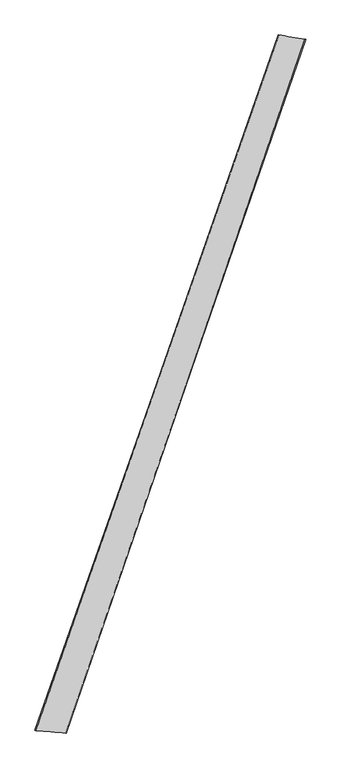
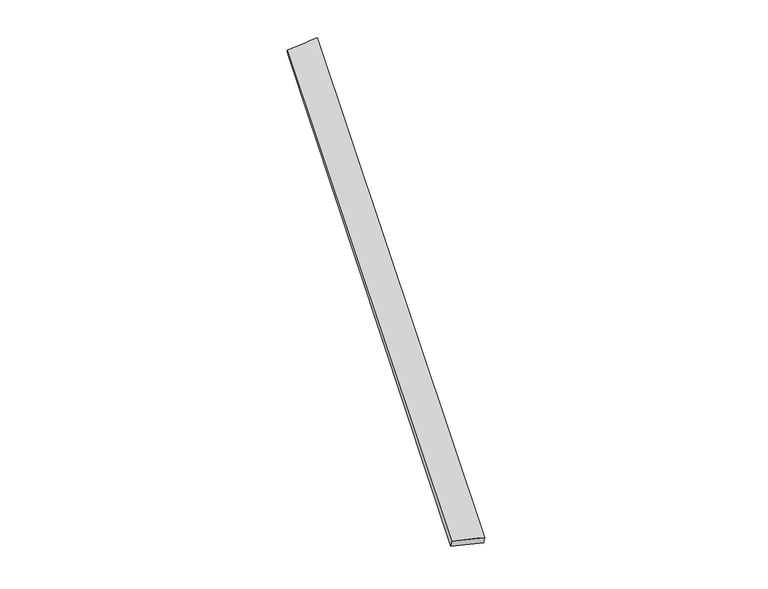
"""IFC4 building model written with IfcOpenShell, lengths in millimetres: proxy geometry."""

from ifc_helpers import new_model, si_unit, origin, place, context, project, spatial, source, transform, mapped, element, save
from ifc_brep_helpers import spline_surface, advanced_brep


def generic_models_cb12f5ad(model_context):
    return source(origin(), model_context, "Body", "AdvancedBrep", [
        advanced_brep(
        [(-698.4960765, -1769.5233938, 15.485747), (-693.0700222, -1771.1883314, 44.9439533), (681.2437172, 2171.1885258, 11.9286481), (687.6935644, 2168.6755422, -17.2618364), (-522.056879, -1785.8256116, 14.0005983), (831.5106431, 2146.6502529, 46.5918169), (-526.9457917, -1783.8804085, -15.5343761), (837.7483038, 2144.7282601, 17.3104656)],
        [
            (0, 1),
            (1, 2),
            (2, 3),
            (3, 0),
            (1, 4),
            (4, 5),
            (5, 2),
            (4, 6),
            (6, 7),
            (7, 5),
            (6, 0),
            (3, 7),
        ],
        [
            spline_surface(1, 1, [[(-698.4960765, -1769.5233938, 15.485747), (687.6935644, 2168.6755422, -17.2618364)], [(-693.0700222, -1771.1883314, 44.9439533), (681.2437172, 2171.1885258, 11.9286481)]], [2, 2], [2, 2], [0.0, 1.0], [0.0, 1.0]),
            spline_surface(1, 1, [[(-693.0700222, -1771.1883314, 44.9439533), (681.2437172, 2171.1885258, 11.9286481)], [(-522.056879, -1785.8256116, 14.0005983), (831.5106431, 2146.6502529, 46.5918169)]], [2, 2], [2, 2], [0.0, 1.0], [0.0, 1.0]),
            spline_surface(1, 1, [[(-522.056879, -1785.8256116, 14.0005983), (831.5106431, 2146.6502529, 46.5918169)], [(-526.9457917, -1783.8804085, -15.5343761), (837.7483038, 2144.7282601, 17.3104656)]], [2, 2], [2, 2], [0.0, 1.0], [0.0, 1.0]),
            spline_surface(1, 1, [[(-526.9457917, -1783.8804085, -15.5343761), (837.7483038, 2144.7282601, 17.3104656)], [(-698.4960765, -1769.5233938, 15.485747), (687.6935644, 2168.6755422, -17.2618364)]], [2, 2], [2, 2], [0.0, 1.0], [0.0, 1.0]),
            spline_surface(1, 1, [[(681.2437172, 2171.1885258, 11.9286481), (687.6935644, 2168.6755422, -17.2618364)], [(831.5106431, 2146.6502529, 46.5918169), (837.7483038, 2144.7282601, 17.3104656)]], [2, 2], [2, 2], [0.0, 1.0], [0.0, 1.0]),
            spline_surface(1, 1, [[(-526.9457917, -1783.8804085, -15.5343761), (-698.4960765, -1769.5233938, 15.485747)], [(-522.056879, -1785.8256116, 14.0005983), (-693.0700222, -1771.1883314, 44.9439533)]], [2, 2], [2, 2], [0.0, 1.0], [0.0, 1.0]),
        ],
        [
            (0, [[1, 2, 3, 4]]),
            (1, [[5, 6, 7, -2]]),
            (2, [[8, 9, 10, -6]]),
            (3, [[11, -4, 12, -9]]),
            (4, [[-3, -7, -10, -12]]),
            (5, [[-11, -8, -5, -1]]),
        ],
    ),
    ])


if __name__ == "__main__":
    model = new_model("IFC4")
    model_context = context("Model", 3, world=origin())
    ifc_project = project(units=[si_unit("LENGTHUNIT", "METRE", prefix="MILLI")], contexts=[model_context])
    site = spatial("IfcSite", under=ifc_project)
    building = spatial("IfcBuilding", under=site)
    placement = place(None, origin())
    generic_models_shape = generic_models_cb12f5ad(model_context)
    element("IfcBuildingElementProxy", 1, Name="Generic Models", at=placement, inside=building, context=model_context, shape_type="MappedRepresentation", body=[
        mapped(generic_models_shape, transform((0.0, 0.0, 0.0), x_axis=(1.0, 0.0, 0.0), y_axis=(0.0, 1.0, 0.0), z_axis=(0.0, 0.0, 1.0))),
    ])
    save(model, "model.ifc")
